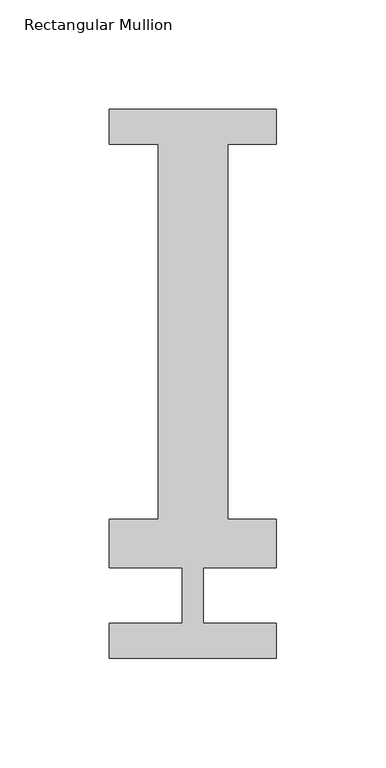
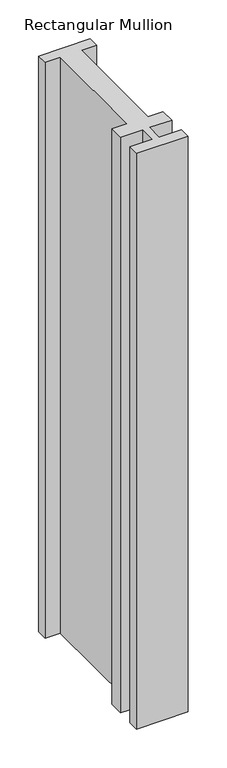
"""IFC4 building model written with IfcOpenShell, lengths in millimetres: member geometry, Rectangular Mullion."""

from ifc_helpers import new_model, si_unit, frame, origin, place, context, project, spatial, polyline, outline, extrude, source, transform, mapped, element, save


def rectangular_mullion_96808fd7(model_context):
    return source(origin(), model_context, "Body", "SweptSolid", [
        extrude(outline(polyline([(38.1, 221.996), (38.1, 206.121), (15.875, 206.121), (15.875, 34.671), (38.1, 34.671), (38.1, 12.7), (4.7625, 12.7), (4.7625, -12.7), (38.1, -12.7), (38.1, -28.7131807), (-38.1, -28.7131807), (-38.1, -12.7), (-4.7625, -12.7), (-4.7625, 12.7), (-38.1, 12.7), (-38.1, 34.671), (-15.875, 34.671), (-15.875, 206.121), (-38.1, 206.121), (-38.1, 221.996), (38.1, 221.996)])), frame((0.0, 0.0, -901.7), z_axis=(0.0, 0.0, 1.0), x_axis=(1.0, 0.0, 0.0)), (0.0, 0.0, 1.0), 901.7),
    ])


if __name__ == "__main__":
    model = new_model("IFC4")
    model_context = context("Model", 3, world=origin())
    ifc_project = project(units=[si_unit("LENGTHUNIT", "METRE", prefix="MILLI")], contexts=[model_context])
    site = spatial("IfcSite", under=ifc_project)
    building = spatial("IfcBuilding", under=site)
    placement = place(None, origin())
    rectangular_mullion_shape = rectangular_mullion_96808fd7(model_context)
    element("IfcMember", 1, ObjectType="Rectangular Mullion", at=placement, inside=building, context=model_context, shape_type="MappedRepresentation", body=[
        mapped(rectangular_mullion_shape, transform((0.0, 0.0, 0.0), x_axis=(1.0, 0.0, 0.0), y_axis=(0.0, 1.0, 0.0), z_axis=(0.0, 0.0, 1.0))),
    ])
    save(model, "model.ifc")
